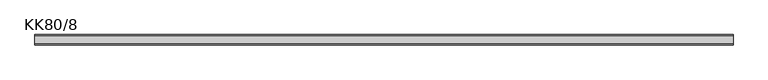
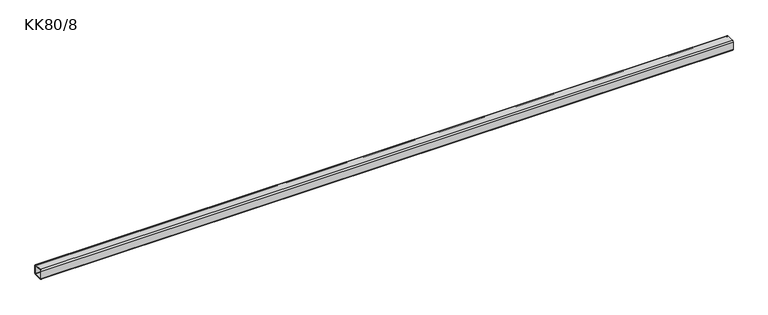
"""IFC4 building model written with IfcOpenShell, lengths in millimetres: beam geometry, KK80/8."""

from ifc_helpers import new_model, si_unit, point, frame, frame_2d, origin, place, context, project, spatial, polyline, circle_curve, trimmed, segment, composite_curve, outline, extrude, source, transform, mapped, element, save


def kk80_8_090267e1(model_context):
    return source(origin(), model_context, "Body", "SweptSolid", [
        extrude(outline(composite_curve([segment(polyline([(-28.0, 40.0), (28.0, 40.0)]), True, "CONTINUOUS"), segment(trimmed(circle_curve(frame_2d((28.0, 28.0)), 12.0), [point((28.0, 40.0))], [point((40.0, 28.0))], False, "CARTESIAN"), True, "CONTINUOUS"), segment(polyline([(40.0, 28.0), (40.0, -28.0)]), True, "CONTINUOUS"), segment(trimmed(circle_curve(frame_2d((28.0, -28.0)), 12.0), [point((40.0, -28.0))], [point((28.0, -40.0))], False, "CARTESIAN"), True, "CONTINUOUS"), segment(polyline([(28.0, -40.0), (-28.0, -40.0)]), True, "CONTINUOUS"), segment(trimmed(circle_curve(frame_2d((-28.0, -28.0)), 12.0), [point((-28.0, -40.0))], [point((-40.0, -28.0))], False, "CARTESIAN"), True, "CONTINUOUS"), segment(polyline([(-40.0, -28.0), (-40.0, 28.0)]), True, "CONTINUOUS"), segment(trimmed(circle_curve(frame_2d((-28.0, 28.0)), 12.0), [point((-40.0, 28.0))], [point((-28.0, 40.0))], False, "CARTESIAN"), True, "CONTINUOUS")], self_intersect=False), holes=[composite_curve([segment(trimmed(circle_curve(frame_2d((-28.0, 28.0)), 4.0), [point((-28.0, 32.0))], [point((-32.0, 28.0))], True, "CARTESIAN"), True, "CONTINUOUS"), segment(polyline([(-32.0, 28.0), (-32.0, -28.0)]), True, "CONTINUOUS"), segment(trimmed(circle_curve(frame_2d((-28.0, -28.0)), 4.0), [point((-32.0, -28.0))], [point((-28.0, -32.0))], True, "CARTESIAN"), True, "CONTINUOUS"), segment(polyline([(-28.0, -32.0), (28.0, -32.0)]), True, "CONTINUOUS"), segment(trimmed(circle_curve(frame_2d((28.0, -28.0)), 4.0), [point((28.0, -32.0))], [point((32.0, -28.0))], True, "CARTESIAN"), True, "CONTINUOUS"), segment(polyline([(32.0, -28.0), (32.0, 28.0)]), True, "CONTINUOUS"), segment(trimmed(circle_curve(frame_2d((28.0, 28.0)), 4.0), [point((32.0, 28.0))], [point((28.0, 32.0))], True, "CARTESIAN"), True, "CONTINUOUS"), segment(polyline([(28.0, 32.0), (-28.0, 32.0)]), True, "CONTINUOUS")], self_intersect=False)]), frame((-2637.3, 0.0, 0.0), z_axis=(1.0, 0.0, 0.0), x_axis=(0.0, 1.0, 0.0)), (0.0, 0.0, 1.0), 5274.6),
    ])


if __name__ == "__main__":
    model = new_model("IFC4")
    model_context = context("Model", 3, world=origin())
    ifc_project = project(units=[si_unit("LENGTHUNIT", "METRE", prefix="MILLI")], contexts=[model_context])
    site = spatial("IfcSite", under=ifc_project)
    building = spatial("IfcBuilding", under=site)
    placement = place(None, origin())
    kk80_8_shape = kk80_8_090267e1(model_context)
    element("IfcBeam", 1, ObjectType="KK80/8", at=placement, inside=building, context=model_context, shape_type="MappedRepresentation", body=[
        mapped(kk80_8_shape, transform((0.0, 0.0, 0.0), x_axis=(1.0, 0.0, 0.0), y_axis=(0.0, 1.0, 0.0), z_axis=(0.0, 0.0, 1.0))),
    ])
    save(model, "model.ifc")
